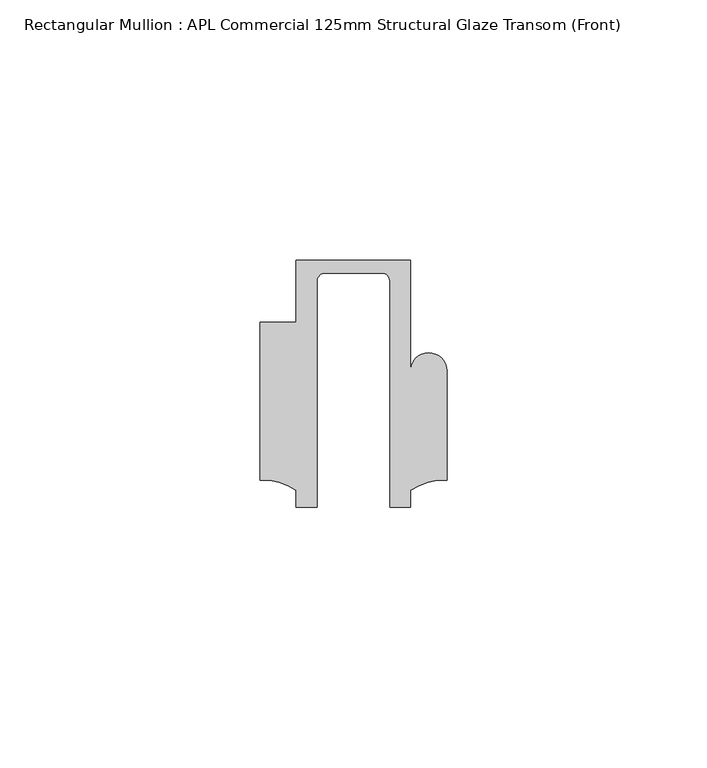
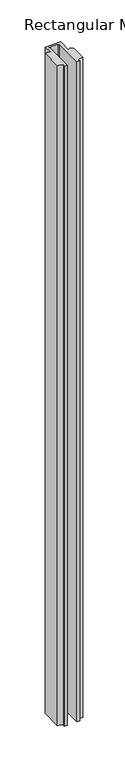
"""IFC4 building model written with IfcOpenShell, lengths in millimetres: member geometry, Rectangular Mullion : APL Commercial 125mm Structural Glaze Transom (Front)."""

from ifc_helpers import new_model, si_unit, frame, origin, place, context, project, spatial, polyline, circle_curve, source, transform, mapped, element, save
from ifc_brep_helpers import plane_surface, cylinder_surface, revolved_surface, advanced_brep


def rectangular_mullion_apl_commercial_125mm_structural_glaze_322c89eb(model_context):
    return source(origin(), model_context, "Body", "AdvancedBrep", [
        advanced_brep(
        [(-11.0000151, 27.0, 0.0), (-11.0000151, 15.0006281, 0.0), (-17.9999542, 15.0006281, 0.0), (-17.9999542, -15.3797475, 0.0), (-10.9999994, -17.3125325, 0.0), (-10.9999994, -20.5, 0.0), (-6.9999853, -20.5, 0.0), (-6.9999853, 22.9976091, 0.0), (-5.4999873, 24.5, 0.0), (5.4999872, 24.5, 0.0), (6.9999849, 22.9973451, 0.0), (6.9999849, -20.5, 0.0), (11.0000151, -20.5, 0.0), (11.0000151, -17.3125212, 0.0), (17.9999542, -15.3797475, 0.0), (17.9999542, 5.684606, 0.0), (11.001071, 5.5848769, 0.0), (11.001071, 27.0, 0.0), (-11.0000151, 27.0, -999.041864), (11.001071, 27.0, -999.041864), (11.001071, 5.5848769, -999.041864), (17.9999091, 5.6750512, -999.041864), (17.9999542, -15.3797475, -999.041864), (11.0000151, -17.3125212, -999.041864), (11.0000151, -20.5, -999.041864), (6.9999849, -20.5, -999.041864), (6.9999849, 22.9973451, -999.041864), (5.4999872, 24.5, -999.041864), (-5.4999873, 24.5, -999.041864), (-6.9999853, 22.9976091, -999.041864), (-6.9999853, -20.5, -999.041864), (-10.9999994, -20.5, -999.041864), (-10.9999994, -17.3125325, -999.041864), (-17.9999542, -15.3797475, -999.041864), (-17.9999542, 15.0006281, -999.041864), (-11.0000151, 15.0006281, -999.041864)],
        [
            (0, 1),
            (1, 2),
            (2, 3),
            (3, 4, circle_curve(frame((-17.109817, -25.7981812, 0.0), z_axis=(0.0, 0.0, -1.0), x_axis=(0.0, 1.0, 0.0)), 10.4563907)),
            (4, 5),
            (5, 6),
            (6, 7),
            (7, 8, circle_curve(frame((-5.4999873, 23.0, 0.0), z_axis=(0.0, 0.0, -1.0), x_axis=(2.7320010112268853e-08, 0.9999999999999997, 0.0)), 1.5)),
            (8, 9),
            (9, 10, circle_curve(frame((5.4999872, 23.0, 0.0), z_axis=(0.0, 0.0, -1.0), x_axis=(0.9999999999999986, -5.463622857820516e-08, 0.0)), 1.5)),
            (10, 11),
            (11, 12),
            (12, 13),
            (13, 14, circle_curve(frame((17.109817, -25.7981812, 0.0), z_axis=(0.0, 0.0, -1.0), x_axis=(0.0, 1.0, 0.0)), 10.4563907)),
            (14, 15),
            (15, 16, circle_curve(frame((14.4999091, 5.6750512, 0.0), z_axis=(0.0, 0.0, 1.0), x_axis=(-0.9999826028573957, -0.005898642432633649, 0.0)), 3.5)),
            (16, 17),
            (17, 0),
            (18, 19),
            (19, 20),
            (20, 21, circle_curve(frame((14.4999091, 5.6750512, -999.041864), z_axis=(0.0, 0.0, -1.0), x_axis=(-0.9999826028573957, -0.005898642432633649, 0.0)), 3.5)),
            (21, 22),
            (22, 23, circle_curve(frame((17.109817, -25.7981812, -999.041864), z_axis=(0.0, 0.0, 1.0), x_axis=(0.0, 1.0, 0.0)), 10.4563907)),
            (23, 24),
            (24, 25),
            (25, 26),
            (26, 27, circle_curve(frame((5.4999872, 23.0, -999.041864), z_axis=(0.0, 0.0, 1.0), x_axis=(0.9999999999999986, -5.463622857820516e-08, 0.0)), 1.5)),
            (27, 28),
            (28, 29, circle_curve(frame((-5.4999873, 23.0, -999.041864), z_axis=(0.0, 0.0, 1.0), x_axis=(2.7320010112268853e-08, 0.9999999999999997, 0.0)), 1.5)),
            (29, 30),
            (30, 31),
            (31, 32),
            (32, 33, circle_curve(frame((-17.109817, -25.7981812, -999.041864), z_axis=(0.0, 0.0, 1.0), x_axis=(0.0, 1.0, 0.0)), 10.4563907)),
            (33, 34),
            (34, 35),
            (35, 18),
            (0, 18),
            (35, 1),
            (34, 2),
            (33, 3),
            (32, 4),
            (31, 5),
            (30, 6),
            (29, 7),
            (28, 8),
            (27, 9),
            (26, 10),
            (25, 11),
            (24, 12),
            (23, 13),
            (22, 14),
            (21, 15),
            (20, 16),
            (19, 17),
        ],
        [
            plane_surface(frame((0.0, -29.1551636, 0.0), z_axis=(0.0, 0.0, 1.0), x_axis=(-1.0, 0.0, 0.0))),
            plane_surface(frame((0.0, -29.1551636, -999.041864), z_axis=(0.0, 0.0, -1.0), x_axis=(-1.0, 0.0, 0.0))),
            plane_surface(frame((-11.0000151, 27.0, 0.0), z_axis=(-1.0, 0.0, 0.0), x_axis=(0.0, 0.0, -1.0))),
            plane_surface(frame((-11.0000151, 15.0006281, 0.0), z_axis=(0.0, 1.0, 0.0), x_axis=(0.0, 0.0, -1.0))),
            plane_surface(frame((-17.9999542, 15.0006281, 0.0), z_axis=(-1.0, 0.0, 0.0), x_axis=(0.0, 0.0, -1.0))),
            revolved_surface(polyline([(-17.109817, -15.341790499999998, -999.041864), (-17.109817, -15.341790499999998, 0.0)]), (-17.109817, -25.7981812, 0.0), (0.0, 0.0, -1.0)),
            plane_surface(frame((-10.9999994, -17.3125325, 0.0), z_axis=(-1.0, 0.0, 0.0), x_axis=(0.0, 0.0, -1.0))),
            plane_surface(frame((-10.9999994, -20.5, 0.0), z_axis=(0.0, -1.0, 0.0), x_axis=(0.0, 0.0, -1.0))),
            plane_surface(frame((-6.9999853, -20.5, 0.0), z_axis=(1.0, 0.0, 0.0), x_axis=(0.0, 0.0, -1.0))),
            revolved_surface(polyline([(-5.499987259019985, 24.5, -999.041864), (-5.499987259019985, 24.5, 0.0)]), (-5.4999873, 23.0, 0.0), (0.0, 0.0, -1.0)),
            plane_surface(frame((-5.4999873, 24.5, 0.0), z_axis=(0.0, -1.0, 0.0), x_axis=(0.0, 0.0, -1.0))),
            revolved_surface(polyline([(6.999987199999998, 22.999999918045656, -999.041864), (6.999987199999998, 22.999999918045656, 0.0)]), (5.4999872, 23.0, 0.0), (0.0, 0.0, -1.0)),
            plane_surface(frame((6.9999849, 22.9973451, 0.0), z_axis=(-1.0, 0.0, 0.0), x_axis=(0.0, 0.0, -1.0))),
            plane_surface(frame((6.9999849, -20.5, 0.0), z_axis=(0.0, -1.0, 0.0), x_axis=(0.0, 0.0, -1.0))),
            plane_surface(frame((11.0000151, -20.5, 0.0), z_axis=(1.0, 0.0, 0.0), x_axis=(0.0, 0.0, -1.0))),
            revolved_surface(polyline([(17.109817, -15.341790499999998, -999.041864), (17.109817, -15.341790499999998, 0.0)]), (17.109817, -25.7981812, 0.0), (0.0, 0.0, -1.0)),
            plane_surface(frame((17.9999542, -15.3797475, 0.0), z_axis=(1.0, 0.0, 0.0), x_axis=(0.0, 0.0, -1.0))),
            cylinder_surface(frame((14.4999091, 5.6750512, 0.0), z_axis=(0.0, 0.0, 1.0), x_axis=(-0.9999826028573957, -0.005898642432633649, 0.0)), 3.5),
            plane_surface(frame((11.001071, 5.5848769, 0.0), z_axis=(1.0, 0.0, 0.0), x_axis=(0.0, 0.0, -1.0))),
            plane_surface(frame((11.001071, 27.0, 0.0), z_axis=(0.0, 1.0, 0.0), x_axis=(0.0, 0.0, -1.0))),
        ],
        [
            (0, [[1, 2, 3, 4, 5, 6, 7, 8, 9, 10, 11, 12, 13, 14, 15, 16, 17, 18]]),
            (1, [[19, 20, 21, 22, 23, 24, 25, 26, 27, 28, 29, 30, 31, 32, 33, 34, 35, 36]]),
            (2, [[-1, 37, -36, 38]]),
            (3, [[-2, -38, -35, 39]]),
            (4, [[-3, -39, -34, 40]]),
            (5, [[-4, -40, -33, 41]]),
            (6, [[-5, -41, -32, 42]]),
            (7, [[-6, -42, -31, 43]]),
            (8, [[-7, -43, -30, 44]]),
            (9, [[-8, -44, -29, 45]]),
            (10, [[-9, -45, -28, 46]]),
            (11, [[-10, -46, -27, 47]]),
            (12, [[-11, -47, -26, 48]]),
            (13, [[-12, -48, -25, 49]]),
            (14, [[-13, -49, -24, 50]]),
            (15, [[-14, -50, -23, 51]]),
            (16, [[-15, -51, -22, 52]]),
            (17, [[-16, -52, -21, 53]]),
            (18, [[-17, -53, -20, 54]]),
            (19, [[-18, -54, -19, -37]]),
        ],
    ),
    ])


if __name__ == "__main__":
    model = new_model("IFC4")
    model_context = context("Model", 3, world=origin())
    ifc_project = project(units=[si_unit("LENGTHUNIT", "METRE", prefix="MILLI")], contexts=[model_context])
    site = spatial("IfcSite", under=ifc_project)
    building = spatial("IfcBuilding", under=site)
    placement = place(None, origin())
    rectangular_mullion_apl_commercial_125mm_structural_glaze_shape = rectangular_mullion_apl_commercial_125mm_structural_glaze_322c89eb(model_context)
    element("IfcMember", 1, ObjectType="Rectangular Mullion : APL Commercial 125mm Structural Glaze Transom (Front)", at=placement, inside=building, context=model_context, shape_type="MappedRepresentation", body=[
        mapped(rectangular_mullion_apl_commercial_125mm_structural_glaze_shape, transform((0.0, 0.0, 0.0), x_axis=(1.0, 0.0, 0.0), y_axis=(0.0, 1.0, 0.0), z_axis=(0.0, 0.0, 1.0))),
    ])
    save(model, "model.ifc")
